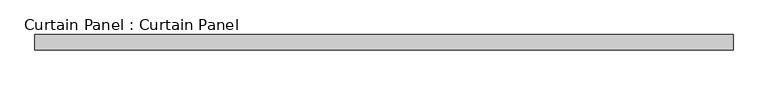
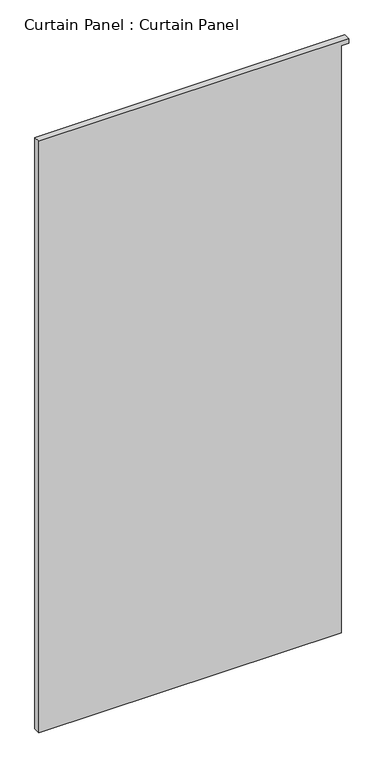
"""IFC4 building model written with IfcOpenShell, lengths in millimetres: plate geometry, Curtain Panel : Curtain Panel."""

from ifc_helpers import new_model, si_unit, frame, origin, place, context, project, spatial, polyline, outline, extrude, source, transform, mapped, element, save


def curtain_panel_curtain_panel_71770e58(model_context):
    return source(origin(), model_context, "Body", "SweptSolid", [
        extrude(outline(polyline([(-3582.9871498, -256959.4899652), (-1254.125, -256959.4899652), (-1254.125, -256930.9149652), (-1236.6722949, -256930.9149652), (-1236.6722949, -258092.9649652), (-3582.9871498, -258092.9649652), (-3582.9871498, -256959.4899652)])), frame((0.0, -494.5574136, 0.0), z_axis=(0.0, 1.0, 0.0), x_axis=(0.0, 0.0, 1.0)), (0.0, 0.0, 1.0), 25.4),
    ])


if __name__ == "__main__":
    model = new_model("IFC4")
    model_context = context("Model", 3, world=origin())
    ifc_project = project(units=[si_unit("LENGTHUNIT", "METRE", prefix="MILLI")], contexts=[model_context])
    site = spatial("IfcSite", under=ifc_project)
    building = spatial("IfcBuilding", under=site)
    placement = place(None, origin())
    curtain_panel_curtain_panel_shape = curtain_panel_curtain_panel_71770e58(model_context)
    element("IfcPlate", 1, ObjectType="Curtain Panel : Curtain Panel", at=placement, inside=building, context=model_context, shape_type="MappedRepresentation", body=[
        mapped(curtain_panel_curtain_panel_shape, transform((0.0, 0.0, 0.0), x_axis=(1.0, 0.0, 0.0), y_axis=(0.0, 1.0, 0.0), z_axis=(0.0, 0.0, 1.0))),
    ])
    save(model, "model.ifc")
